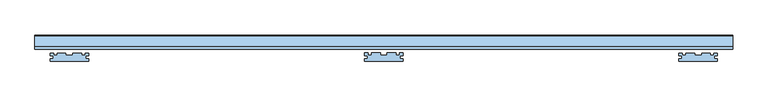
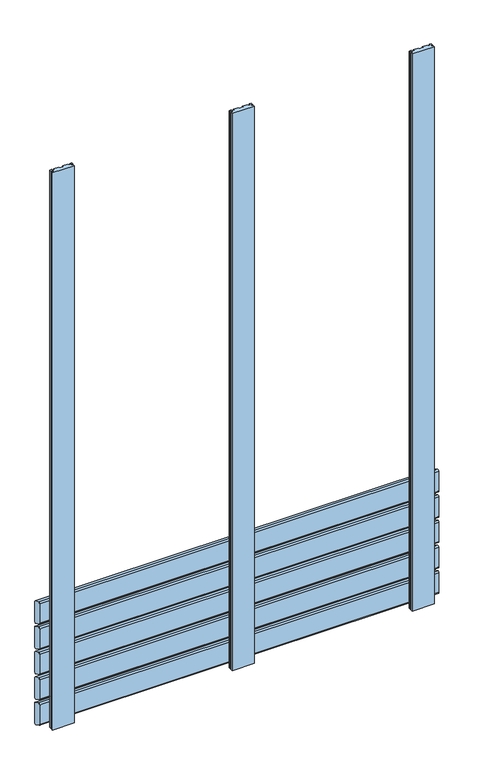
"""IFC4 building model written with IfcOpenShell, lengths in millimetres: window geometry."""

from ifc_helpers import new_model, si_unit, frame, origin, place, context, project, spatial, polyline, circle_curve, outline, extrude, source, transform, mapped, element, save
from ifc_brep_helpers import plane_surface, cylinder_surface, advanced_brep


def window_0a4400d8(model_context):
    return source(origin(), model_context, "Body", "SolidModel", [
        advanced_brep(
        [(500.0, 30.0028013, 379.5270549), (500.0, 31.7349465, 376.8081315), (500.0, 45.7322609, 370.2810766), (500.0, 50.0, 372.9736586), (500.0, 50.0, 425.574129), (500.0, 48.9038327, 427.8926244), (500.0, 34.1873858, 434.7550163), (500.0, 30.0, 432.0), (-500.0, 30.0, 379.5270549), (-500.0, 30.0, 432.0), (-500.0, 34.1873858, 434.7550163), (-500.0, 48.9038327, 427.8926244), (-500.0, 50.0, 425.574129), (-500.0, 50.0, 372.9736586), (-500.0, 45.7322609, 370.2810766), (-500.0, 31.7349465, 376.8081315)],
        [
            (0, 1, circle_curve(frame((500.0, 33.0028013, 379.5270549), z_axis=(1.0, 0.0, 0.0), x_axis=(0.0, -0.422245314833475, -0.9064816016341312)), 3.0)),
            (1, 2),
            (2, 3, circle_curve(frame((500.0, 47.0001156, 373.0), z_axis=(1.0, 0.0, 0.0), x_axis=(0.0, 1.0, 0.0)), 3.0)),
            (3, 4),
            (4, 5, circle_curve(frame((500.0, 47.0, 425.574129), z_axis=(1.0, 0.0, 0.0), x_axis=(0.0, 0.4172998244673827, 0.908768868579625)), 3.0)),
            (5, 6),
            (6, 7, circle_curve(frame((500.0, 33.0, 432.0), z_axis=(1.0, 0.0, 0.0), x_axis=(0.0, -1.0, 0.0)), 3.0)),
            (7, 0),
            (8, 9),
            (9, 10, circle_curve(frame((-500.0, 33.0, 432.0), z_axis=(-1.0, 0.0, 0.0), x_axis=(0.0, -1.0, 0.0)), 3.0)),
            (10, 11),
            (11, 12, circle_curve(frame((-500.0, 47.0, 425.574129), z_axis=(-1.0, 0.0, 0.0), x_axis=(0.0, 0.4172998244673827, 0.908768868579625)), 3.0)),
            (12, 13),
            (13, 14, circle_curve(frame((-500.0, 47.0001156, 373.0), z_axis=(-1.0, 0.0, 0.0), x_axis=(0.0, 1.0, 0.0)), 3.0)),
            (14, 15),
            (15, 8, circle_curve(frame((-500.0, 33.0028013, 379.5270549), z_axis=(-1.0, 0.0, 0.0), x_axis=(0.0, -0.422245314833475, -0.9064816016341312)), 3.0)),
            (0, 8),
            (15, 1),
            (14, 2),
            (13, 3),
            (12, 4),
            (11, 5),
            (10, 6),
            (9, 7),
        ],
        [
            plane_surface(frame((500.0, 100.0, 402.5), z_axis=(1.0, 0.0, 0.0), x_axis=(0.0, 0.0, 1.0))),
            plane_surface(frame((-500.0, 100.0, 402.5), z_axis=(-1.0, 0.0, 0.0), x_axis=(0.0, 0.0, 1.0))),
            cylinder_surface(frame((500.0, 33.0028013, 379.5270549), z_axis=(1.0, 0.0, 0.0), x_axis=(0.0, -0.422245314833475, -0.9064816016341312)), 3.0),
            plane_surface(frame((500.0, 31.7349465, 376.8081315), z_axis=(0.0, -0.4226182617407, -0.9063077870366497), x_axis=(-1.0, 0.0, 0.0))),
            cylinder_surface(frame((500.0, 47.0001156, 373.0), z_axis=(1.0, 0.0, 0.0), x_axis=(0.0, 1.0, 0.0)), 3.0),
            plane_surface(frame((500.0, 50.0, 372.9736586), z_axis=(0.0, 1.0, 0.0), x_axis=(-1.0, 0.0, 0.0))),
            cylinder_surface(frame((500.0, 47.0, 425.574129), z_axis=(1.0000000000000002, 0.0, 0.0), x_axis=(0.0, 0.4172998244673827, 0.908768868579625)), 3.0),
            plane_surface(frame((500.0, 48.9038327, 427.8926244), z_axis=(0.0, 0.4226182617406934, 0.9063077870366529), x_axis=(-1.0, 0.0, 0.0))),
            cylinder_surface(frame((500.0, 33.0, 432.0), z_axis=(1.0, 0.0, 0.0), x_axis=(0.0, -1.0, 0.0)), 3.0),
            plane_surface(frame((500.0, 30.0, 432.0), z_axis=(0.0, -1.0, 0.0), x_axis=(-1.0, 0.0, 0.0))),
        ],
        [
            (0, [[1, 2, 3, 4, 5, 6, 7, 8]]),
            (1, [[9, 10, 11, 12, 13, 14, 15, 16]]),
            (2, [[-1, 17, -16, 18]]),
            (3, [[-2, -18, -15, 19]]),
            (4, [[-3, -19, -14, 20]]),
            (5, [[-4, -20, -13, 21]]),
            (6, [[-5, -21, -12, 22]]),
            (7, [[-6, -22, -11, 23]]),
            (8, [[-7, -23, -10, 24]]),
            (9, [[-8, -24, -9, -17]]),
        ],
    ),
        advanced_brep(
        [(500.0, 30.0028013, 312.5270549), (500.0, 31.7349465, 309.8081315), (500.0, 45.7322609, 303.2810766), (500.0, 50.0, 305.9736586), (500.0, 50.0, 358.574129), (500.0, 48.9038327, 360.8926244), (500.0, 34.1873858, 367.7550163), (500.0, 30.0, 365.0), (-500.0, 30.0, 312.5270549), (-500.0, 30.0, 365.0), (-500.0, 34.1873858, 367.7550163), (-500.0, 48.9038327, 360.8926244), (-500.0, 50.0, 358.574129), (-500.0, 50.0, 305.9736586), (-500.0, 45.7322609, 303.2810766), (-500.0, 31.7349465, 309.8081315)],
        [
            (0, 1, circle_curve(frame((500.0, 33.0028013, 312.5270549), z_axis=(1.0, 0.0, 0.0), x_axis=(0.0, -0.422245314833475, -0.9064816016341312)), 3.0)),
            (1, 2),
            (2, 3, circle_curve(frame((500.0, 47.0001156, 306.0), z_axis=(1.0, 0.0, 0.0), x_axis=(0.0, 1.0, 0.0)), 3.0)),
            (3, 4),
            (4, 5, circle_curve(frame((500.0, 47.0, 358.574129), z_axis=(1.0, 0.0, 0.0), x_axis=(0.0, 0.4172998244673827, 0.908768868579625)), 3.0)),
            (5, 6),
            (6, 7, circle_curve(frame((500.0, 33.0, 365.0), z_axis=(1.0, 0.0, 0.0), x_axis=(0.0, -1.0, 0.0)), 3.0)),
            (7, 0),
            (8, 9),
            (9, 10, circle_curve(frame((-500.0, 33.0, 365.0), z_axis=(-1.0, 0.0, 0.0), x_axis=(0.0, -1.0, 0.0)), 3.0)),
            (10, 11),
            (11, 12, circle_curve(frame((-500.0, 47.0, 358.574129), z_axis=(-1.0, 0.0, 0.0), x_axis=(0.0, 0.4172998244673827, 0.908768868579625)), 3.0)),
            (12, 13),
            (13, 14, circle_curve(frame((-500.0, 47.0001156, 306.0), z_axis=(-1.0, 0.0, 0.0), x_axis=(0.0, 1.0, 0.0)), 3.0)),
            (14, 15),
            (15, 8, circle_curve(frame((-500.0, 33.0028013, 312.5270549), z_axis=(-1.0, 0.0, 0.0), x_axis=(0.0, -0.422245314833475, -0.9064816016341312)), 3.0)),
            (0, 8),
            (15, 1),
            (14, 2),
            (13, 3),
            (12, 4),
            (11, 5),
            (10, 6),
            (9, 7),
        ],
        [
            plane_surface(frame((500.0, 100.0, 335.5), z_axis=(1.0, 0.0, 0.0), x_axis=(0.0, 0.0, 1.0))),
            plane_surface(frame((-500.0, 100.0, 335.5), z_axis=(-1.0, 0.0, 0.0), x_axis=(0.0, 0.0, 1.0))),
            cylinder_surface(frame((500.0, 33.0028013, 312.5270549), z_axis=(1.0, 0.0, 0.0), x_axis=(0.0, -0.422245314833475, -0.9064816016341312)), 3.0),
            plane_surface(frame((500.0, 31.7349465, 309.8081315), z_axis=(0.0, -0.4226182617407, -0.9063077870366497), x_axis=(-1.0, 0.0, 0.0))),
            cylinder_surface(frame((500.0, 47.0001156, 306.0), z_axis=(1.0, 0.0, 0.0), x_axis=(0.0, 1.0, 0.0)), 3.0),
            plane_surface(frame((500.0, 50.0, 305.9736586), z_axis=(0.0, 1.0, 0.0), x_axis=(-1.0, 0.0, 0.0))),
            cylinder_surface(frame((500.0, 47.0, 358.574129), z_axis=(1.0000000000000002, 0.0, 0.0), x_axis=(0.0, 0.4172998244673827, 0.908768868579625)), 3.0),
            plane_surface(frame((500.0, 48.9038327, 360.8926244), z_axis=(0.0, 0.4226182617406934, 0.9063077870366529), x_axis=(-1.0, 0.0, 0.0))),
            cylinder_surface(frame((500.0, 33.0, 365.0), z_axis=(1.0, 0.0, 0.0), x_axis=(0.0, -1.0, 0.0)), 3.0),
            plane_surface(frame((500.0, 30.0, 365.0), z_axis=(0.0, -1.0, 0.0), x_axis=(-1.0, 0.0, 0.0))),
        ],
        [
            (0, [[1, 2, 3, 4, 5, 6, 7, 8]]),
            (1, [[9, 10, 11, 12, 13, 14, 15, 16]]),
            (2, [[-1, 17, -16, 18]]),
            (3, [[-2, -18, -15, 19]]),
            (4, [[-3, -19, -14, 20]]),
            (5, [[-4, -20, -13, 21]]),
            (6, [[-5, -21, -12, 22]]),
            (7, [[-6, -22, -11, 23]]),
            (8, [[-7, -23, -10, 24]]),
            (9, [[-8, -24, -9, -17]]),
        ],
    ),
        advanced_brep(
        [(500.0, 30.0028013, 245.5270549), (500.0, 31.7349465, 242.8081315), (500.0, 45.7322609, 236.2810766), (500.0, 50.0, 238.9736586), (500.0, 50.0, 291.574129), (500.0, 48.9038327, 293.8926244), (500.0, 34.1873858, 300.7550163), (500.0, 30.0, 298.0), (-500.0, 30.0, 245.5270549), (-500.0, 30.0, 298.0), (-500.0, 34.1873858, 300.7550163), (-500.0, 48.9038327, 293.8926244), (-500.0, 50.0, 291.574129), (-500.0, 50.0, 238.9736586), (-500.0, 45.7322609, 236.2810766), (-500.0, 31.7349465, 242.8081315)],
        [
            (0, 1, circle_curve(frame((500.0, 33.0028013, 245.5270549), z_axis=(1.0, 0.0, 0.0), x_axis=(0.0, -0.422245314833475, -0.9064816016341312)), 3.0)),
            (1, 2),
            (2, 3, circle_curve(frame((500.0, 47.0001156, 239.0), z_axis=(1.0, 0.0, 0.0), x_axis=(0.0, 1.0, 0.0)), 3.0)),
            (3, 4),
            (4, 5, circle_curve(frame((500.0, 47.0, 291.574129), z_axis=(1.0, 0.0, 0.0), x_axis=(0.0, 0.4172998244673827, 0.908768868579625)), 3.0)),
            (5, 6),
            (6, 7, circle_curve(frame((500.0, 33.0, 298.0), z_axis=(1.0, 0.0, 0.0), x_axis=(0.0, -1.0, 0.0)), 3.0)),
            (7, 0),
            (8, 9),
            (9, 10, circle_curve(frame((-500.0, 33.0, 298.0), z_axis=(-1.0, 0.0, 0.0), x_axis=(0.0, -1.0, 0.0)), 3.0)),
            (10, 11),
            (11, 12, circle_curve(frame((-500.0, 47.0, 291.574129), z_axis=(-1.0, 0.0, 0.0), x_axis=(0.0, 0.4172998244673827, 0.908768868579625)), 3.0)),
            (12, 13),
            (13, 14, circle_curve(frame((-500.0, 47.0001156, 239.0), z_axis=(-1.0, 0.0, 0.0), x_axis=(0.0, 1.0, 0.0)), 3.0)),
            (14, 15),
            (15, 8, circle_curve(frame((-500.0, 33.0028013, 245.5270549), z_axis=(-1.0, 0.0, 0.0), x_axis=(0.0, -0.422245314833475, -0.9064816016341312)), 3.0)),
            (0, 8),
            (15, 1),
            (14, 2),
            (13, 3),
            (12, 4),
            (11, 5),
            (10, 6),
            (9, 7),
        ],
        [
            plane_surface(frame((500.0, 100.0, 268.5), z_axis=(1.0, 0.0, 0.0), x_axis=(0.0, 0.0, 1.0))),
            plane_surface(frame((-500.0, 100.0, 268.5), z_axis=(-1.0, 0.0, 0.0), x_axis=(0.0, 0.0, 1.0))),
            cylinder_surface(frame((500.0, 33.0028013, 245.5270549), z_axis=(1.0, 0.0, 0.0), x_axis=(0.0, -0.422245314833475, -0.9064816016341312)), 3.0),
            plane_surface(frame((500.0, 31.7349465, 242.8081315), z_axis=(0.0, -0.4226182617407, -0.9063077870366497), x_axis=(-1.0, 0.0, 0.0))),
            cylinder_surface(frame((500.0, 47.0001156, 239.0), z_axis=(1.0, 0.0, 0.0), x_axis=(0.0, 1.0, 0.0)), 3.0),
            plane_surface(frame((500.0, 50.0, 238.9736586), z_axis=(0.0, 1.0, 0.0), x_axis=(-1.0, 0.0, 0.0))),
            cylinder_surface(frame((500.0, 47.0, 291.574129), z_axis=(1.0000000000000002, 0.0, 0.0), x_axis=(0.0, 0.4172998244673827, 0.908768868579625)), 3.0),
            plane_surface(frame((500.0, 48.9038327, 293.8926244), z_axis=(0.0, 0.4226182617406934, 0.9063077870366529), x_axis=(-1.0, 0.0, 0.0))),
            cylinder_surface(frame((500.0, 33.0, 298.0), z_axis=(1.0, 0.0, 0.0), x_axis=(0.0, -1.0, 0.0)), 3.0),
            plane_surface(frame((500.0, 30.0, 298.0), z_axis=(0.0, -1.0, 0.0), x_axis=(-1.0, 0.0, 0.0))),
        ],
        [
            (0, [[1, 2, 3, 4, 5, 6, 7, 8]]),
            (1, [[9, 10, 11, 12, 13, 14, 15, 16]]),
            (2, [[-1, 17, -16, 18]]),
            (3, [[-2, -18, -15, 19]]),
            (4, [[-3, -19, -14, 20]]),
            (5, [[-4, -20, -13, 21]]),
            (6, [[-5, -21, -12, 22]]),
            (7, [[-6, -22, -11, 23]]),
            (8, [[-7, -23, -10, 24]]),
            (9, [[-8, -24, -9, -17]]),
        ],
    ),
        advanced_brep(
        [(500.0, 30.0028013, 178.5270549), (500.0, 31.7349465, 175.8081315), (500.0, 45.7322609, 169.2810766), (500.0, 50.0, 171.9736586), (500.0, 50.0, 224.574129), (500.0, 48.9038327, 226.8926244), (500.0, 34.1873858, 233.7550163), (500.0, 30.0, 231.0), (-500.0, 30.0, 178.5270549), (-500.0, 30.0, 231.0), (-500.0, 34.1873858, 233.7550163), (-500.0, 48.9038327, 226.8926244), (-500.0, 50.0, 224.574129), (-500.0, 50.0, 171.9736586), (-500.0, 45.7322609, 169.2810766), (-500.0, 31.7349465, 175.8081315)],
        [
            (0, 1, circle_curve(frame((500.0, 33.0028013, 178.5270549), z_axis=(1.0, 0.0, 0.0), x_axis=(0.0, -0.422245314833475, -0.9064816016341312)), 3.0)),
            (1, 2),
            (2, 3, circle_curve(frame((500.0, 47.0001156, 172.0), z_axis=(1.0, 0.0, 0.0), x_axis=(0.0, 1.0, 0.0)), 3.0)),
            (3, 4),
            (4, 5, circle_curve(frame((500.0, 47.0, 224.574129), z_axis=(1.0, 0.0, 0.0), x_axis=(0.0, 0.4172998244673827, 0.908768868579625)), 3.0)),
            (5, 6),
            (6, 7, circle_curve(frame((500.0, 33.0, 231.0), z_axis=(1.0, 0.0, 0.0), x_axis=(0.0, -1.0, 0.0)), 3.0)),
            (7, 0),
            (8, 9),
            (9, 10, circle_curve(frame((-500.0, 33.0, 231.0), z_axis=(-1.0, 0.0, 0.0), x_axis=(0.0, -1.0, 0.0)), 3.0)),
            (10, 11),
            (11, 12, circle_curve(frame((-500.0, 47.0, 224.574129), z_axis=(-1.0, 0.0, 0.0), x_axis=(0.0, 0.4172998244673827, 0.908768868579625)), 3.0)),
            (12, 13),
            (13, 14, circle_curve(frame((-500.0, 47.0001156, 172.0), z_axis=(-1.0, 0.0, 0.0), x_axis=(0.0, 1.0, 0.0)), 3.0)),
            (14, 15),
            (15, 8, circle_curve(frame((-500.0, 33.0028013, 178.5270549), z_axis=(-1.0, 0.0, 0.0), x_axis=(0.0, -0.422245314833475, -0.9064816016341312)), 3.0)),
            (0, 8),
            (15, 1),
            (14, 2),
            (13, 3),
            (12, 4),
            (11, 5),
            (10, 6),
            (9, 7),
        ],
        [
            plane_surface(frame((500.0, 100.0, 201.5), z_axis=(1.0, 0.0, 0.0), x_axis=(0.0, 0.0, 1.0))),
            plane_surface(frame((-500.0, 100.0, 201.5), z_axis=(-1.0, 0.0, 0.0), x_axis=(0.0, 0.0, 1.0))),
            cylinder_surface(frame((500.0, 33.0028013, 178.5270549), z_axis=(1.0, 0.0, 0.0), x_axis=(0.0, -0.422245314833475, -0.9064816016341312)), 3.0),
            plane_surface(frame((500.0, 31.7349465, 175.8081315), z_axis=(0.0, -0.4226182617407, -0.9063077870366497), x_axis=(-1.0, 0.0, 0.0))),
            cylinder_surface(frame((500.0, 47.0001156, 172.0), z_axis=(1.0, 0.0, 0.0), x_axis=(0.0, 1.0, 0.0)), 3.0),
            plane_surface(frame((500.0, 50.0, 171.9736586), z_axis=(0.0, 1.0, 0.0), x_axis=(-1.0, 0.0, 0.0))),
            cylinder_surface(frame((500.0, 47.0, 224.574129), z_axis=(1.0000000000000002, 0.0, 0.0), x_axis=(0.0, 0.4172998244673827, 0.908768868579625)), 3.0),
            plane_surface(frame((500.0, 48.9038327, 226.8926244), z_axis=(0.0, 0.4226182617406934, 0.9063077870366529), x_axis=(-1.0, 0.0, 0.0))),
            cylinder_surface(frame((500.0, 33.0, 231.0), z_axis=(1.0, 0.0, 0.0), x_axis=(0.0, -1.0, 0.0)), 3.0),
            plane_surface(frame((500.0, 30.0, 231.0), z_axis=(0.0, -1.0, 0.0), x_axis=(-1.0, 0.0, 0.0))),
        ],
        [
            (0, [[1, 2, 3, 4, 5, 6, 7, 8]]),
            (1, [[9, 10, 11, 12, 13, 14, 15, 16]]),
            (2, [[-1, 17, -16, 18]]),
            (3, [[-2, -18, -15, 19]]),
            (4, [[-3, -19, -14, 20]]),
            (5, [[-4, -20, -13, 21]]),
            (6, [[-5, -21, -12, 22]]),
            (7, [[-6, -22, -11, 23]]),
            (8, [[-7, -23, -10, 24]]),
            (9, [[-8, -24, -9, -17]]),
        ],
    ),
        advanced_brep(
        [(500.0, 30.0028013, 111.5270549), (500.0, 31.7349465, 108.8081315), (500.0, 45.7322609, 102.2810766), (500.0, 50.0, 104.9736586), (500.0, 50.0, 157.574129), (500.0, 48.9038327, 159.8926244), (500.0, 34.1873858, 166.7550163), (500.0, 30.0, 164.0), (-500.0, 30.0, 111.5270549), (-500.0, 30.0, 164.0), (-500.0, 34.1873858, 166.7550163), (-500.0, 48.9038327, 159.8926244), (-500.0, 50.0, 157.574129), (-500.0, 50.0, 104.9736586), (-500.0, 45.7322609, 102.2810766), (-500.0, 31.7349465, 108.8081315)],
        [
            (0, 1, circle_curve(frame((500.0, 33.0028013, 111.5270549), z_axis=(1.0, 0.0, 0.0), x_axis=(0.0, -0.422245314833475, -0.9064816016341312)), 3.0)),
            (1, 2),
            (2, 3, circle_curve(frame((500.0, 47.0001156, 105.0), z_axis=(1.0, 0.0, 0.0), x_axis=(0.0, 1.0, 0.0)), 3.0)),
            (3, 4),
            (4, 5, circle_curve(frame((500.0, 47.0, 157.574129), z_axis=(1.0, 0.0, 0.0), x_axis=(0.0, 0.4172998244673827, 0.908768868579625)), 3.0)),
            (5, 6),
            (6, 7, circle_curve(frame((500.0, 33.0, 164.0), z_axis=(1.0, 0.0, 0.0), x_axis=(0.0, -1.0, 0.0)), 3.0)),
            (7, 0),
            (8, 9),
            (9, 10, circle_curve(frame((-500.0, 33.0, 164.0), z_axis=(-1.0, 0.0, 0.0), x_axis=(0.0, -1.0, 0.0)), 3.0)),
            (10, 11),
            (11, 12, circle_curve(frame((-500.0, 47.0, 157.574129), z_axis=(-1.0, 0.0, 0.0), x_axis=(0.0, 0.4172998244673827, 0.908768868579625)), 3.0)),
            (12, 13),
            (13, 14, circle_curve(frame((-500.0, 47.0001156, 105.0), z_axis=(-1.0, 0.0, 0.0), x_axis=(0.0, 1.0, 0.0)), 3.0)),
            (14, 15),
            (15, 8, circle_curve(frame((-500.0, 33.0028013, 111.5270549), z_axis=(-1.0, 0.0, 0.0), x_axis=(0.0, -0.422245314833475, -0.9064816016341312)), 3.0)),
            (0, 8),
            (15, 1),
            (14, 2),
            (13, 3),
            (12, 4),
            (11, 5),
            (10, 6),
            (9, 7),
        ],
        [
            plane_surface(frame((500.0, 100.0, 100.0), z_axis=(1.0, 0.0, 0.0), x_axis=(0.0, 0.0, 1.0))),
            plane_surface(frame((-500.0, 100.0, 100.0), z_axis=(-1.0, 0.0, 0.0), x_axis=(0.0, 0.0, 1.0))),
            cylinder_surface(frame((500.0, 33.0028013, 111.5270549), z_axis=(1.0, 0.0, 0.0), x_axis=(0.0, -0.422245314833475, -0.9064816016341312)), 3.0),
            plane_surface(frame((500.0, 31.7349465, 108.8081315), z_axis=(0.0, -0.4226182617407, -0.9063077870366497), x_axis=(-1.0, 0.0, 0.0))),
            cylinder_surface(frame((500.0, 47.0001156, 105.0), z_axis=(1.0, 0.0, 0.0), x_axis=(0.0, 1.0, 0.0)), 3.0),
            plane_surface(frame((500.0, 50.0, 104.9736586), z_axis=(0.0, 1.0, 0.0), x_axis=(-1.0, 0.0, 0.0))),
            cylinder_surface(frame((500.0, 47.0, 157.574129), z_axis=(1.0000000000000002, 0.0, 0.0), x_axis=(0.0, 0.4172998244673827, 0.908768868579625)), 3.0),
            plane_surface(frame((500.0, 48.9038327, 159.8926244), z_axis=(0.0, 0.4226182617406934, 0.9063077870366529), x_axis=(-1.0, 0.0, 0.0))),
            cylinder_surface(frame((500.0, 33.0, 164.0), z_axis=(1.0, 0.0, 0.0), x_axis=(0.0, -1.0, 0.0)), 3.0),
            plane_surface(frame((500.0, 30.0, 164.0), z_axis=(0.0, -1.0, 0.0), x_axis=(-1.0, 0.0, 0.0))),
        ],
        [
            (0, [[1, 2, 3, 4, 5, 6, 7, 8]]),
            (1, [[9, 10, 11, 12, 13, 14, 15, 16]]),
            (2, [[-1, 17, -16, 18]]),
            (3, [[-2, -18, -15, 19]]),
            (4, [[-3, -19, -14, 20]]),
            (5, [[-4, -20, -13, 21]]),
            (6, [[-5, -21, -12, 22]]),
            (7, [[-6, -22, -11, 23]]),
            (8, [[-7, -23, -10, 24]]),
            (9, [[-8, -24, -9, -17]]),
        ],
    ),
        extrude(outline(polyline([(-27.5063196, 12.1), (-27.5063196, 16.1), (-23.5063196, 16.1), (-23.5063196, 20.1), (-27.5063196, 20.1), (-27.5063196, 24.1), (-22.5063196, 24.1), (-22.5063196, 21.1), (-17.5063196, 21.1), (-17.5063196, 24.1), (-5.0063196, 24.1), (-5.0063196, 21.1), (4.9936804, 21.1), (4.9936804, 24.1), (17.4936804, 24.1), (17.4936804, 21.1), (22.4936804, 21.1), (22.4936804, 24.1), (27.4936804, 24.1), (27.4936804, 20.1), (23.4936804, 20.1), (23.4936804, 16.1), (27.4936804, 16.1), (27.4936804, 12.1), (-27.5063196, 12.1)])), frame((0.0, 0.0, 100.0), z_axis=(0.0, 0.0, 1.0), x_axis=(1.0, 0.0, 0.0)), (0.0, 0.0, 1.0), 1476.0),
        extrude(outline(polyline([(-478.0, 12.0), (-478.0, 16.0), (-474.0, 16.0), (-474.0, 20.0), (-478.0, 20.0), (-478.0, 24.0), (-473.0, 24.0), (-473.0, 21.0), (-468.0, 21.0), (-468.0, 24.0), (-455.5, 24.0), (-455.5, 21.0), (-445.5, 21.0), (-445.5, 24.0), (-433.0, 24.0), (-433.0, 21.0), (-428.0, 21.0), (-428.0, 24.0), (-423.0, 24.0), (-423.0, 20.0), (-427.0, 20.0), (-427.0, 16.0), (-423.0, 16.0), (-423.0, 12.0), (-478.0, 12.0)])), frame((0.0, 0.0, 100.0), z_axis=(0.0, 0.0, 1.0), x_axis=(1.0, 0.0, 0.0)), (0.0, 0.0, 1.0), 1476.0),
        extrude(outline(polyline([(423.0, 12.0), (423.0, 16.0), (427.0, 16.0), (427.0, 20.0), (423.0, 20.0), (423.0, 24.0), (428.0, 24.0), (428.0, 21.0), (433.0, 21.0), (433.0, 24.0), (445.5, 24.0), (445.5, 21.0), (455.5, 21.0), (455.5, 24.0), (468.0, 24.0), (468.0, 21.0), (473.0, 21.0), (473.0, 24.0), (478.0, 24.0), (478.0, 20.0), (474.0, 20.0), (474.0, 16.0), (478.0, 16.0), (478.0, 12.0), (423.0, 12.0)])), frame((0.0, 0.0, 100.0), z_axis=(0.0, 0.0, 1.0), x_axis=(1.0, 0.0, 0.0)), (0.0, 0.0, 1.0), 1476.0),
    ])


if __name__ == "__main__":
    model = new_model("IFC4")
    model_context = context("Model", 3, world=origin())
    ifc_project = project(units=[si_unit("LENGTHUNIT", "METRE", prefix="MILLI")], contexts=[model_context])
    site = spatial("IfcSite", under=ifc_project)
    building = spatial("IfcBuilding", under=site)
    placement = place(None, origin())
    window_shape = window_0a4400d8(model_context)
    element("IfcWindow", 1, at=placement, inside=building, context=model_context, shape_type="MappedRepresentation", body=[
        mapped(window_shape, transform((0.0, 0.0, 0.0), x_axis=(1.0, 0.0, 0.0), y_axis=(0.0, 1.0, 0.0), z_axis=(0.0, 0.0, 1.0))),
    ])
    save(model, "model.ifc")
